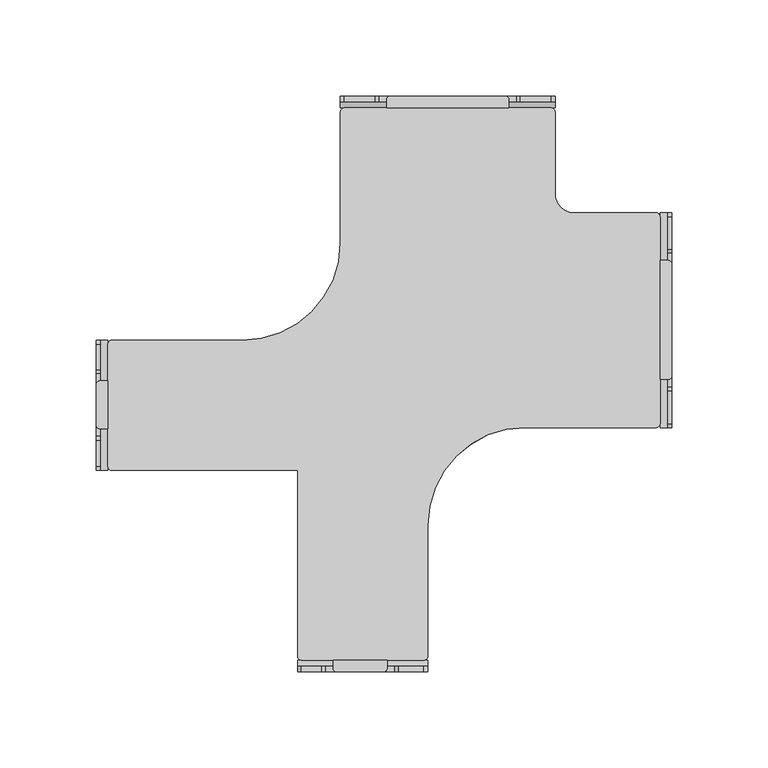
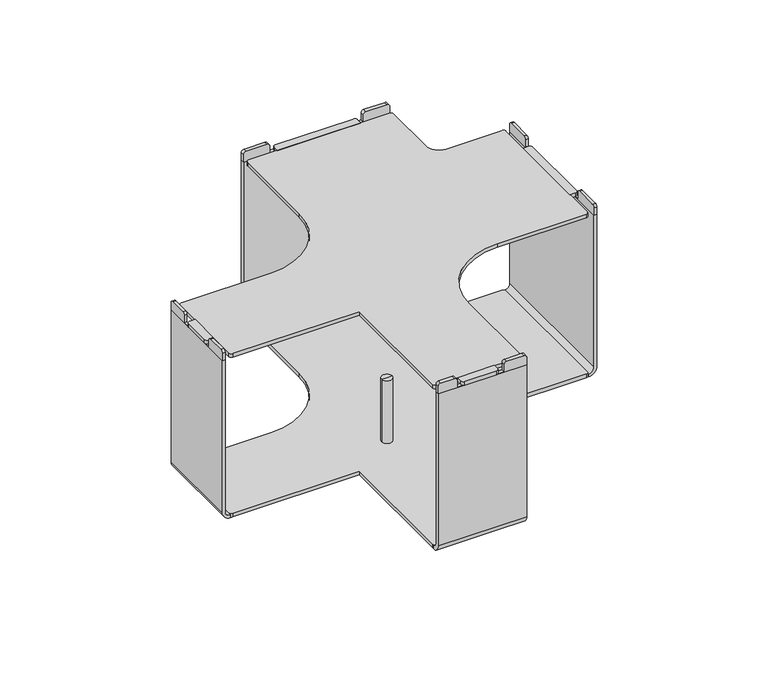
"""IFC4 building model written with IfcOpenShell, lengths in millimetres: furniture geometry."""

from ifc_helpers import new_model, si_unit, point, frame, frame_2d, origin, place, context, project, spatial, polyline, circle_curve, trimmed, segment, composite_curve, outline, extrude, source, transform, mapped, element, save
from ifc_brep_helpers import plane_surface, cylinder_surface, revolved_surface, advanced_brep


def furniture_a07aa453(model_context):
    return source(origin(), model_context, "Body", "SolidModel", [
        extrude(outline(composite_curve([segment(polyline([(52.9956923, -88.713251), (57.1726308, -88.713251)]), True, "CONTINUOUS"), segment(trimmed(circle_curve(frame_2d((57.1726308, -90.713251)), 2.0), [point((57.1726308, -88.713251))], [point((59.1726308, -90.713251))], False, "CARTESIAN"), True, "CONTINUOUS"), segment(polyline([(59.1726308, -90.713251), (59.1726308, -148.6216302)]), True, "CONTINUOUS"), segment(trimmed(circle_curve(frame_2d((57.1726308, -148.6216302)), 2.0), [point((59.1726308, -148.6216302))], [point((57.1726308, -150.6216302))], False, "CARTESIAN"), True, "CONTINUOUS"), segment(polyline([(57.1726308, -150.6216302), (52.9956923, -150.6216302), (52.9956923, -88.713251)]), True, "CONTINUOUS")], self_intersect=False)), frame((0.0, 0.0, 136.144), z_axis=(0.0, 0.0, 1.0), x_axis=(1.0, 0.0, 0.0)), (0.0, 0.0, 1.0), 2.9972),
        extrude(outline(composite_curve([segment(polyline([(-234.3293024, -151.4382715), (-234.3293024, -176.2904978), (-238.50625, -176.2904978)]), True, "CONTINUOUS"), segment(trimmed(circle_curve(frame_2d((-238.50625, -174.2904978)), 2.0), [point((-238.50625, -176.2904978))], [point((-240.50625, -174.2904978))], False, "CARTESIAN"), True, "CONTINUOUS"), segment(polyline([(-240.50625, -174.2904978), (-240.50625, -153.4382715)]), True, "CONTINUOUS"), segment(trimmed(circle_curve(frame_2d((-238.50625, -153.4382715)), 2.0), [point((-240.50625, -153.4382715))], [point((-238.50625, -151.4382715))], False, "CARTESIAN"), True, "CONTINUOUS"), segment(polyline([(-238.50625, -151.4382715), (-234.3293024, -151.4382715)]), True, "CONTINUOUS")], self_intersect=False)), frame((0.0, 0.0, 136.144), z_axis=(0.0, 0.0, 1.0), x_axis=(1.0, 0.0, 0.0)), (0.0, 0.0, 1.0), 2.9972),
        advanced_brep(
        [(-97.5544923, -175.6769402, 7.8739999), (-105.5554938, -175.6769402, 7.8739999), (-105.5554938, -175.6769402, 60.1980016), (-97.5544923, -175.6769402, 60.1980016), (-88.854987, -175.6769402, 7.8739999), (-114.2549991, -175.6769402, 7.8739999), (-88.854987, -175.6769402, 2.6834552), (-114.2549991, -175.6769402, 2.6834552), (-101.5549931, -175.6769402, 0.0), (-101.5549931, -175.6769402, 60.1980016)],
        [
            (0, 1, circle_curve(frame((-101.5549931, -175.6769402, 7.8739999), z_axis=(0.0, 0.0, 1.0), x_axis=(-1.0, 0.0, 0.0)), 4.0005007)),
            (1, 2),
            (2, 3, circle_curve(frame((-101.5549931, -175.6769402, 60.1980016), z_axis=(0.0, 0.0, -1.0), x_axis=(-1.0, 0.0, 0.0)), 4.0005007)),
            (3, 0),
            (1, 0, circle_curve(frame((-101.5549931, -175.6769402, 7.8739999), z_axis=(0.0, 0.0, 1.0), x_axis=(-1.0, 0.0, 0.0)), 4.0005007)),
            (3, 2, circle_curve(frame((-101.5549931, -175.6769402, 60.1980016), z_axis=(0.0, 0.0, -1.0), x_axis=(-1.0, 0.0, 0.0)), 4.0005007)),
            (4, 5, circle_curve(frame((-101.5549931, -175.6769402, 7.8739999), z_axis=(0.0, 0.0, 1.0), x_axis=(-1.0, 0.0, 0.0)), 12.7000061)),
            (5, 1),
            (0, 4),
            (5, 4, circle_curve(frame((-101.5549931, -175.6769402, 7.8739999), z_axis=(0.0, 0.0, 1.0), x_axis=(-1.0, 0.0, 0.0)), 12.7000061)),
            (6, 7, circle_curve(frame((-101.5549931, -175.6769402, 2.6834552), z_axis=(0.0, 0.0, 1.0), x_axis=(-1.0, 0.0, 0.0)), 12.7000061)),
            (7, 5),
            (4, 6),
            (7, 6, circle_curve(frame((-101.5549931, -175.6769402, 2.6834552), z_axis=(0.0, 0.0, 1.0), x_axis=(-1.0, 0.0, 0.0)), 12.7000061)),
            (8, 7),
            (6, 8),
            (2, 9),
            (9, 3),
        ],
        [
            cylinder_surface(frame((-101.5549931, -175.6769402, 60.1980016), z_axis=(0.0, 0.0, -1.0), x_axis=(-1.0, 0.0, 0.0)), 4.0005007),
            plane_surface(frame((-101.5549931, -175.6769402, 7.8739999), z_axis=(0.0, 0.0, 1.0), x_axis=(-1.0, 0.0, 0.0))),
            cylinder_surface(frame((-101.5549931, -175.6769402, 60.1980016), z_axis=(0.0, 0.0, -1.0), x_axis=(-1.0, 0.0, 0.0)), 12.7000061),
            revolved_surface(polyline([(-114.2549991, -175.6769402, 2.6834552), (-101.5549931, -175.6769402, 0.0)]), (-101.5549931, -175.6769402, 60.1980016), (0.0, 0.0, -1.0)),
            plane_surface(frame((-101.5549931, -175.6769402, 60.1980016), z_axis=(0.0, 0.0, 1.0), x_axis=(-1.0, 0.0, 0.0))),
        ],
        [
            (0, [[1, 2, 3, 4]]),
            (0, [[5, -4, 6, -2]]),
            (1, [[7, 8, -1, 9]]),
            (1, [[10, -9, -5, -8]]),
            (2, [[11, 12, -7, 13]]),
            (2, [[14, -13, -10, -12]]),
            (3, [[15, -11, 16]]),
            (3, [[-16, -14, -15]]),
            (4, [[-3, 17, 18]]),
            (4, [[-6, -18, -17]]),
        ],
    ),
        extrude(outline(composite_curve([segment(polyline([(-130.2769497, 142.1520193), (-130.2769497, 136.1504559), (-197.936955, 136.1504559), (-197.936955, 142.114289)]), True, "CONTINUOUS"), segment(trimmed(circle_curve(frame_2d((-195.951782, 142.114289)), 1.985173), [point((-197.936955, 142.114289))], [point((-195.951782, 144.099462))], False, "CARTESIAN"), True, "CONTINUOUS"), segment(polyline([(-195.951782, 144.099462), (-182.2665607, 144.099462)]), True, "CONTINUOUS"), segment(trimmed(circle_curve(frame_2d((-182.2665607, 142.1111991)), 1.9882628), [point((-182.2665607, 144.099462))], [point((-180.2782978, 142.1111991))], False, "CARTESIAN"), True, "CONTINUOUS"), segment(polyline([(-180.2782978, 142.1111991), (-180.2782978, 136.3488934), (-147.4504715, 136.3488934), (-147.4504715, 142.1561677)]), True, "CONTINUOUS"), segment(trimmed(circle_curve(frame_2d((-145.5071772, 142.1561677)), 1.9432943), [point((-147.4504715, 142.1561677))], [point((-145.5071772, 144.099462))], False, "CARTESIAN"), True, "CONTINUOUS"), segment(polyline([(-145.5071772, 144.099462), (-132.2243923, 144.099462)]), True, "CONTINUOUS"), segment(trimmed(circle_curve(frame_2d((-132.2243923, 142.1520193)), 1.9474426), [point((-132.2243923, 144.099462))], [point((-130.2769497, 142.1520193))], False, "CARTESIAN"), True, "CONTINUOUS")], self_intersect=False)), frame((-240.50625, 0.0, 0.0), z_axis=(1.0, 0.0, 0.0), x_axis=(0.0, 1.0, 0.0)), (0.0, 0.0, 1.0), 2.1769465),
        extrude(outline(composite_curve([segment(polyline([(136.1550668, -240.50625), (13.0364034, -240.50625)]), True, "CONTINUOUS"), segment(trimmed(circle_curve(frame_2d((13.0364034, -234.3293115)), 6.1769385), [point((13.0364034, -240.50625))], [point((6.8594649, -234.3293115))], False, "CARTESIAN"), True, "CONTINUOUS"), segment(polyline([(6.8594649, -234.3293115), (9.0364137, -234.3293115)]), True, "CONTINUOUS"), segment(trimmed(circle_curve(frame_2d((13.0364057, -234.3293115)), 3.999992), [point((9.0364137, -234.3293115))], [point((13.0364057, -238.3293035))], True, "CARTESIAN"), True, "CONTINUOUS"), segment(polyline([(13.0364057, -238.3293035), (136.1550668, -238.3293035), (136.1550668, -240.50625)]), True, "CONTINUOUS")], self_intersect=False)), frame((0.0, -197.936955, 0.0), z_axis=(0.0, 1.0, 0.0), x_axis=(0.0, 0.0, 1.0)), (0.0, 0.0, 1.0), 67.6600053),
        extrude(outline(composite_curve([segment(polyline([(-117.145064, -296.6769491), (-89.0166977, -296.6769491), (-89.0166977, -300.8538876)]), True, "CONTINUOUS"), segment(trimmed(circle_curve(frame_2d((-91.0166977, -300.8538876)), 2.0), [point((-89.0166977, -300.8538876))], [point((-91.0166977, -302.8538876))], False, "CARTESIAN"), True, "CONTINUOUS"), segment(polyline([(-91.0166977, -302.8538876), (-115.145064, -302.8538876)]), True, "CONTINUOUS"), segment(trimmed(circle_curve(frame_2d((-115.145064, -300.8538876)), 2.0), [point((-115.145064, -302.8538876))], [point((-117.145064, -300.8538876))], False, "CARTESIAN"), True, "CONTINUOUS"), segment(polyline([(-117.145064, -300.8538876), (-117.145064, -296.6769491)]), True, "CONTINUOUS")], self_intersect=False)), frame((0.0, 0.0, 136.144), z_axis=(0.0, 0.0, 1.0), x_axis=(1.0, 0.0, 0.0)), (0.0, 0.0, 1.0), 2.9972),
        extrude(outline(composite_curve([segment(trimmed(circle_curve(frame_2d((142.1520193, -69.8767502)), 1.9474426), [point((142.1520193, -67.9293076))], [point((144.099462, -69.8767502))], False, "CARTESIAN"), True, "CONTINUOUS"), segment(polyline([(144.099462, -69.8767502), (144.099462, -83.0856034)]), True, "CONTINUOUS"), segment(trimmed(circle_curve(frame_2d((142.1561677, -83.0856034)), 1.9432943), [point((144.099462, -83.0856034))], [point((142.1561677, -85.0288977))], False, "CARTESIAN"), True, "CONTINUOUS"), segment(polyline([(142.1561677, -85.0288977), (136.3488934, -85.0288977), (136.3488934, -121.132864), (142.1111991, -121.132864)]), True, "CONTINUOUS"), segment(trimmed(circle_curve(frame_2d((142.1111991, -123.1211268)), 1.9882628), [point((142.1111991, -121.132864))], [point((144.099462, -123.1211268))], False, "CARTESIAN"), True, "CONTINUOUS"), segment(polyline([(144.099462, -123.1211268), (144.099462, -133.6041353)]), True, "CONTINUOUS"), segment(trimmed(circle_curve(frame_2d((142.114289, -133.6041353)), 1.985173), [point((144.099462, -133.6041353))], [point((142.114289, -135.5893083))], False, "CARTESIAN"), True, "CONTINUOUS"), segment(polyline([(142.114289, -135.5893083), (136.1504559, -135.5893083), (136.1504559, -67.9293076), (142.1520193, -67.9293076)]), True, "CONTINUOUS")], self_intersect=False)), frame((0.0, -302.8538876, 0.0), z_axis=(0.0, 1.0, 0.0), x_axis=(0.0, 0.0, 1.0)), (0.0, 0.0, 1.0), 3.0000009),
        extrude(outline(composite_curve([segment(polyline([(-302.8538876, 136.1550668), (-299.8538867, 136.1550668), (-299.8538867, 13.0364057)]), True, "CONTINUOUS"), segment(trimmed(circle_curve(frame_2d((-296.6769491, 13.0364057)), 3.1769376), [point((-299.8538867, 13.0364057))], [point((-296.6769491, 9.8594681))], True, "CARTESIAN"), True, "CONTINUOUS"), segment(polyline([(-296.6769491, 9.8594681), (-296.6769491, 6.8594649)]), True, "CONTINUOUS"), segment(trimmed(circle_curve(frame_2d((-296.6769491, 13.0364034)), 6.1769385), [point((-296.6769491, 6.8594649))], [point((-302.8538876, 13.0364034))], False, "CARTESIAN"), True, "CONTINUOUS"), segment(polyline([(-302.8538876, 13.0364034), (-302.8538876, 136.1550668)]), True, "CONTINUOUS")], self_intersect=False)), frame((-135.5893083, 0.0, 0.0), z_axis=(1.0, 0.0, 0.0), x_axis=(0.0, 1.0, 0.0)), (0.0, 0.0, 1.0), 67.6600007),
        extrude(outline(composite_curve([segment(polyline([(-63.9819456, 142.1520193), (-63.9819456, 136.1504559), (-175.6769402, 136.1504559), (-175.6769402, 142.114289)]), True, "CONTINUOUS"), segment(trimmed(circle_curve(frame_2d((-173.6917672, 142.114289)), 1.985173), [point((-175.6769402, 142.114289))], [point((-173.6917672, 144.099462))], False, "CARTESIAN"), True, "CONTINUOUS"), segment(polyline([(-173.6917672, 144.099462), (-156.597693, 144.099462)]), True, "CONTINUOUS"), segment(trimmed(circle_curve(frame_2d((-156.597693, 142.1111991)), 1.9882628), [point((-156.597693, 144.099462))], [point((-154.6094302, 142.1111991))], False, "CARTESIAN"), True, "CONTINUOUS"), segment(polyline([(-154.6094302, 142.1111991), (-154.6094302, 136.3488934), (-84.725451, 136.3488934), (-84.725451, 142.1561677)]), True, "CONTINUOUS"), segment(trimmed(circle_curve(frame_2d((-82.7821567, 142.1561677)), 1.9432943), [point((-84.725451, 142.1561677))], [point((-82.7821567, 144.099462))], False, "CARTESIAN"), True, "CONTINUOUS"), segment(polyline([(-82.7821567, 144.099462), (-65.9293882, 144.099462)]), True, "CONTINUOUS"), segment(trimmed(circle_curve(frame_2d((-65.9293882, 142.1520193)), 1.9474426), [point((-65.9293882, 144.099462))], [point((-63.9819456, 142.1520193))], False, "CARTESIAN"), True, "CONTINUOUS")], self_intersect=False)), frame((56.9956843, 0.0, 0.0), z_axis=(1.0, 0.0, 0.0), x_axis=(0.0, 1.0, 0.0)), (0.0, 0.0, 1.0), 2.1769465),
        extrude(outline(composite_curve([segment(polyline([(136.1550668, 59.1726308), (136.1550668, 56.9956843), (13.0364057, 56.9956843)]), True, "CONTINUOUS"), segment(trimmed(circle_curve(frame_2d((13.0364057, 52.9956923)), 3.999992), [point((13.0364057, 56.9956843))], [point((9.0364137, 52.9956923))], True, "CARTESIAN"), True, "CONTINUOUS"), segment(polyline([(9.0364137, 52.9956923), (6.8594649, 52.9956923)]), True, "CONTINUOUS"), segment(trimmed(circle_curve(frame_2d((13.0364034, 52.9956923)), 6.1769385), [point((6.8594649, 52.9956923))], [point((13.0364034, 59.1726308))], False, "CARTESIAN"), True, "CONTINUOUS"), segment(polyline([(13.0364034, 59.1726308), (136.1550668, 59.1726308)]), True, "CONTINUOUS")], self_intersect=False)), frame((0.0, -175.6769402, 0.0), z_axis=(0.0, 1.0, 0.0), x_axis=(0.0, 0.0, 1.0)), (0.0, 0.0, 1.0), 111.6949946),
        extrude(outline(composite_curve([segment(polyline([(-89.3415061, -9.3519465), (-89.3415061, -5.1744549)]), True, "CONTINUOUS"), segment(trimmed(circle_curve(frame_2d((-87.3415061, -5.1744549)), 2.0), [point((-89.3415061, -5.1744549))], [point((-87.3415061, -3.1744549))], False, "CARTESIAN"), True, "CONTINUOUS"), segment(polyline([(-87.3415061, -3.1744549), (-27.6221068, -3.1744549)]), True, "CONTINUOUS"), segment(trimmed(circle_curve(frame_2d((-27.6221068, -5.1744549)), 2.0), [point((-27.6221068, -3.1744549))], [point((-25.6221068, -5.1744549))], False, "CARTESIAN"), True, "CONTINUOUS"), segment(polyline([(-25.6221068, -5.1744549), (-25.6221068, -9.3519465), (-89.3415061, -9.3519465)]), True, "CONTINUOUS")], self_intersect=False)), frame((0.0, 0.0, 136.144), z_axis=(0.0, 0.0, 1.0), x_axis=(1.0, 0.0, 0.0)), (0.0, 0.0, 1.0), 2.9972),
        extrude(outline(composite_curve([segment(trimmed(circle_curve(frame_2d((142.1520193, -3.5817503)), 1.9474426), [point((142.1520193, -1.6343077))], [point((144.099462, -3.5817503))], False, "CARTESIAN"), True, "CONTINUOUS"), segment(polyline([(144.099462, -3.5817503), (144.099462, -19.6910125)]), True, "CONTINUOUS"), segment(trimmed(circle_curve(frame_2d((142.1561677, -19.6910125)), 1.9432943), [point((144.099462, -19.6910125))], [point((142.1561677, -21.6343068))], False, "CARTESIAN"), True, "CONTINUOUS"), segment(polyline([(142.1561677, -21.6343068), (136.3488934, -21.6343068), (136.3488934, -93.3293061), (142.1111991, -93.3293061)]), True, "CONTINUOUS"), segment(trimmed(circle_curve(frame_2d((142.1111991, -95.3175689)), 1.9882628), [point((142.1111991, -93.3293061))], [point((144.099462, -95.3175689))], False, "CARTESIAN"), True, "CONTINUOUS"), segment(polyline([(144.099462, -95.3175689), (144.099462, -111.3441387)]), True, "CONTINUOUS"), segment(trimmed(circle_curve(frame_2d((142.114289, -111.3441387)), 1.985173), [point((144.099462, -111.3441387))], [point((142.114289, -113.3293117))], False, "CARTESIAN"), True, "CONTINUOUS"), segment(polyline([(142.114289, -113.3293117), (136.1504559, -113.3293117), (136.1504559, -1.6343077), (142.1520193, -1.6343077)]), True, "CONTINUOUS")], self_intersect=False)), frame((0.0, -6.1750009, 0.0), z_axis=(0.0, 1.0, 0.0), x_axis=(0.0, 0.0, 1.0)), (0.0, 0.0, 1.0), 3.0000009),
        extrude(outline(composite_curve([segment(polyline([(-3.175, 136.1550668), (-3.175, 13.0364034)]), True, "CONTINUOUS"), segment(trimmed(circle_curve(frame_2d((-9.3519385, 13.0364034)), 6.1769385), [point((-3.175, 13.0364034))], [point((-9.3519385, 6.8594649))], False, "CARTESIAN"), True, "CONTINUOUS"), segment(polyline([(-9.3519385, 6.8594649), (-9.3519385, 9.8594681)]), True, "CONTINUOUS"), segment(trimmed(circle_curve(frame_2d((-9.3519385, 13.0364057)), 3.1769376), [point((-9.3519385, 9.8594681))], [point((-6.1750009, 13.0364057))], True, "CARTESIAN"), True, "CONTINUOUS"), segment(polyline([(-6.1750009, 13.0364057), (-6.1750009, 136.1550668), (-3.175, 136.1550668)]), True, "CONTINUOUS")], self_intersect=False)), frame((-113.3293117, 0.0, 0.0), z_axis=(1.0, 0.0, 0.0), x_axis=(0.0, 1.0, 0.0)), (0.0, 0.0, 1.0), 111.6950039),
        extrude(outline(composite_curve([segment(polyline([(-232.4243024, -130.2769497), (-164.1293117, -130.2769497)]), True, "CONTINUOUS"), segment(trimmed(circle_curve(frame_2d((-164.1293117, -79.4769497)), 50.8), [point((-164.1293117, -130.2769497))], [point((-113.3293117, -79.4769497))], True, "CARTESIAN"), True, "CONTINUOUS"), segment(polyline([(-113.3293117, -79.4769497), (-113.3293117, -11.2569465)]), True, "CONTINUOUS"), segment(trimmed(circle_curve(frame_2d((-111.4243117, -11.2569465)), 1.905), [point((-113.3293117, -11.2569465))], [point((-111.4243117, -9.3519465))], False, "CARTESIAN"), True, "CONTINUOUS"), segment(polyline([(-111.4243117, -9.3519465), (-3.5439591, -9.3519465)]), True, "CONTINUOUS"), segment(trimmed(circle_curve(frame_2d((-3.5439591, -11.2615979)), 1.9096514), [point((-3.5439591, -9.3519465))], [point((-1.6343077, -11.2615979))], False, "CARTESIAN"), True, "CONTINUOUS"), segment(polyline([(-1.6343077, -11.2615979), (-1.6343077, -53.9889828)]), True, "CONTINUOUS"), segment(trimmed(circle_curve(frame_2d((8.3586551, -53.9889828)), 9.9929628), [point((-1.6343077, -53.9889828))], [point((8.3586551, -63.9819456))], True, "CARTESIAN"), True, "CONTINUOUS"), segment(polyline([(8.3586551, -63.9819456), (51.0906923, -63.9819456)]), True, "CONTINUOUS"), segment(trimmed(circle_curve(frame_2d((51.0906923, -65.8869456)), 1.905), [point((51.0906923, -63.9819456))], [point((52.9956923, -65.8869456))], False, "CARTESIAN"), True, "CONTINUOUS"), segment(polyline([(52.9956923, -65.8869456), (52.9956923, -173.7719402)]), True, "CONTINUOUS"), segment(trimmed(circle_curve(frame_2d((51.0906923, -173.7719402)), 1.905), [point((52.9956923, -173.7719402))], [point((51.0906923, -175.6769402))], False, "CARTESIAN"), True, "CONTINUOUS"), segment(polyline([(51.0906923, -175.6769402), (-17.1293076, -175.6769402)]), True, "CONTINUOUS"), segment(trimmed(circle_curve(frame_2d((-17.1293076, -226.4769402)), 50.8), [point((-17.1293076, -175.6769402))], [point((-67.9293076, -226.4769402))], True, "CARTESIAN"), True, "CONTINUOUS"), segment(polyline([(-67.9293076, -226.4769402), (-67.9293076, -294.7719491)]), True, "CONTINUOUS"), segment(trimmed(circle_curve(frame_2d((-69.8343076, -294.7719491)), 1.905), [point((-67.9293076, -294.7719491))], [point((-69.8343076, -296.6769491))], False, "CARTESIAN"), True, "CONTINUOUS"), segment(polyline([(-69.8343076, -296.6769491), (-133.6843083, -296.6769491)]), True, "CONTINUOUS"), segment(trimmed(circle_curve(frame_2d((-133.6843083, -294.7719491)), 1.905), [point((-133.6843083, -296.6769491))], [point((-135.5893083, -294.7719491))], False, "CARTESIAN"), True, "CONTINUOUS"), segment(polyline([(-135.5893083, -294.7719491), (-135.5893083, -197.936955), (-232.4243024, -197.936955)]), True, "CONTINUOUS"), segment(trimmed(circle_curve(frame_2d((-232.4243024, -196.031955)), 1.905), [point((-232.4243024, -197.936955))], [point((-234.3293024, -196.031955))], False, "CARTESIAN"), True, "CONTINUOUS"), segment(polyline([(-234.3293024, -196.031955), (-234.3293024, -132.1819497)]), True, "CONTINUOUS"), segment(trimmed(circle_curve(frame_2d((-232.4243024, -132.1819497)), 1.905), [point((-234.3293024, -132.1819497))], [point((-232.4243024, -130.2769497))], False, "CARTESIAN"), True, "CONTINUOUS")], self_intersect=False)), frame((0.0, 0.0, 6.8594599), z_axis=(0.0, 0.0, 1.0), x_axis=(1.0, 0.0, 0.0)), (0.0, 0.0, 1.0), 3.0000003),
        extrude(outline(composite_curve([segment(polyline([(-232.4243024, -130.2769497), (-164.1293117, -130.2769497)]), True, "CONTINUOUS"), segment(trimmed(circle_curve(frame_2d((-164.1293117, -79.4769497)), 50.8), [point((-164.1293117, -130.2769497))], [point((-113.3293117, -79.4769497))], True, "CARTESIAN"), True, "CONTINUOUS"), segment(polyline([(-113.3293117, -79.4769497), (-113.3293117, -11.2569465)]), True, "CONTINUOUS"), segment(trimmed(circle_curve(frame_2d((-111.4243117, -11.2569465)), 1.905), [point((-113.3293117, -11.2569465))], [point((-111.4243117, -9.3519465))], False, "CARTESIAN"), True, "CONTINUOUS"), segment(polyline([(-111.4243117, -9.3519465), (-3.5439591, -9.3519465)]), True, "CONTINUOUS"), segment(trimmed(circle_curve(frame_2d((-3.5439591, -11.2615979)), 1.9096514), [point((-3.5439591, -9.3519465))], [point((-1.6343077, -11.2615979))], False, "CARTESIAN"), True, "CONTINUOUS"), segment(polyline([(-1.6343077, -11.2615979), (-1.6343077, -53.9889828)]), True, "CONTINUOUS"), segment(trimmed(circle_curve(frame_2d((8.3586551, -53.9889828)), 9.9929628), [point((-1.6343077, -53.9889828))], [point((8.3586551, -63.9819456))], True, "CARTESIAN"), True, "CONTINUOUS"), segment(polyline([(8.3586551, -63.9819456), (51.0906923, -63.9819456)]), True, "CONTINUOUS"), segment(trimmed(circle_curve(frame_2d((51.0906923, -65.8869456)), 1.905), [point((51.0906923, -63.9819456))], [point((52.9956923, -65.8869456))], False, "CARTESIAN"), True, "CONTINUOUS"), segment(polyline([(52.9956923, -65.8869456), (52.9956923, -173.7719402)]), True, "CONTINUOUS"), segment(trimmed(circle_curve(frame_2d((51.0906923, -173.7719402)), 1.905), [point((52.9956923, -173.7719402))], [point((51.0906923, -175.6769402))], False, "CARTESIAN"), True, "CONTINUOUS"), segment(polyline([(51.0906923, -175.6769402), (-17.1293076, -175.6769402)]), True, "CONTINUOUS"), segment(trimmed(circle_curve(frame_2d((-17.1293076, -226.4769402)), 50.8), [point((-17.1293076, -175.6769402))], [point((-67.9293076, -226.4769402))], True, "CARTESIAN"), True, "CONTINUOUS"), segment(polyline([(-67.9293076, -226.4769402), (-67.9293076, -294.7719491)]), True, "CONTINUOUS"), segment(trimmed(circle_curve(frame_2d((-69.8343076, -294.7719491)), 1.905), [point((-67.9293076, -294.7719491))], [point((-69.8343076, -296.6769491))], False, "CARTESIAN"), True, "CONTINUOUS"), segment(polyline([(-69.8343076, -296.6769491), (-133.6843083, -296.6769491)]), True, "CONTINUOUS"), segment(trimmed(circle_curve(frame_2d((-133.6843083, -294.7719491)), 1.905), [point((-133.6843083, -296.6769491))], [point((-135.5893083, -294.7719491))], False, "CARTESIAN"), True, "CONTINUOUS"), segment(polyline([(-135.5893083, -294.7719491), (-135.5893083, -197.936955), (-232.4243024, -197.936955)]), True, "CONTINUOUS"), segment(trimmed(circle_curve(frame_2d((-232.4243024, -196.031955)), 1.905), [point((-232.4243024, -197.936955))], [point((-234.3293024, -196.031955))], False, "CARTESIAN"), True, "CONTINUOUS"), segment(polyline([(-234.3293024, -196.031955), (-234.3293024, -132.1819497)]), True, "CONTINUOUS"), segment(trimmed(circle_curve(frame_2d((-232.4243024, -132.1819497)), 1.905), [point((-234.3293024, -132.1819497))], [point((-232.4243024, -130.2769497))], False, "CARTESIAN"), True, "CONTINUOUS")], self_intersect=False)), frame((0.0, 0.0, 136.1504559), z_axis=(0.0, 0.0, 1.0), x_axis=(1.0, 0.0, 0.0)), (0.0, 0.0, 1.0), 3.0000077),
    ])


if __name__ == "__main__":
    model = new_model("IFC4")
    model_context = context("Model", 3, world=origin())
    ifc_project = project(units=[si_unit("LENGTHUNIT", "METRE", prefix="MILLI")], contexts=[model_context])
    site = spatial("IfcSite", under=ifc_project)
    building = spatial("IfcBuilding", under=site)
    placement = place(None, origin())
    furniture_shape = furniture_a07aa453(model_context)
    element("IfcFurniture", 1, at=placement, inside=building, context=model_context, shape_type="MappedRepresentation", body=[
        mapped(furniture_shape, transform((0.0, 0.0, 0.0), x_axis=(1.0, 0.0, 0.0), y_axis=(0.0, 1.0, 0.0), z_axis=(0.0, 0.0, 1.0))),
    ])
    save(model, "model.ifc")
